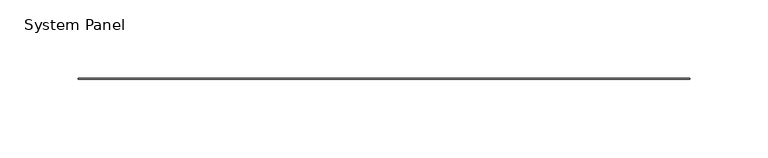
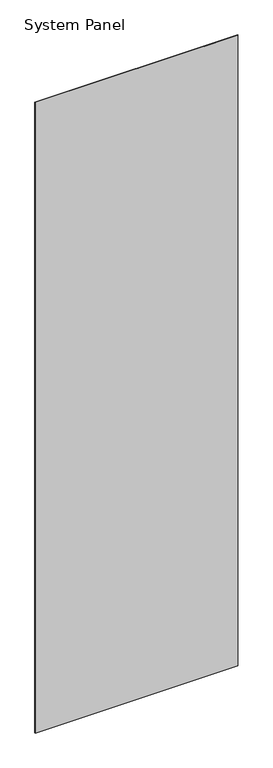
"""IFC4 building model written with IfcOpenShell, lengths in millimetres: plate geometry, System Panel."""

from ifc_helpers import new_model, si_unit, origin, origin_with_axes, place, context, project, spatial, polyline, outline, extrude, source, transform, mapped, element, save


def system_panel_777f6597(model_context):
    return source(origin(), model_context, "Body", "SweptSolid", [
        extrude(outline(polyline([(195.58, -0.2976563), (-195.58, -0.2976563), (-195.58, 0.2976563), (195.58, 0.2976563), (195.58, -0.2976563)])), origin_with_axes(), (0.0, 0.0, 1.0), 1285.875),
    ])


if __name__ == "__main__":
    model = new_model("IFC4")
    model_context = context("Model", 3, world=origin())
    ifc_project = project(units=[si_unit("LENGTHUNIT", "METRE", prefix="MILLI")], contexts=[model_context])
    site = spatial("IfcSite", under=ifc_project)
    building = spatial("IfcBuilding", under=site)
    placement = place(None, origin())
    system_panel_shape = system_panel_777f6597(model_context)
    element("IfcPlate", 1, ObjectType="System Panel", at=placement, inside=building, context=model_context, shape_type="MappedRepresentation", body=[
        mapped(system_panel_shape, transform((0.0, 0.0, 0.0), x_axis=(1.0, 0.0, 0.0), y_axis=(0.0, 1.0, 0.0), z_axis=(0.0, 0.0, 1.0))),
    ])
    save(model, "model.ifc")
